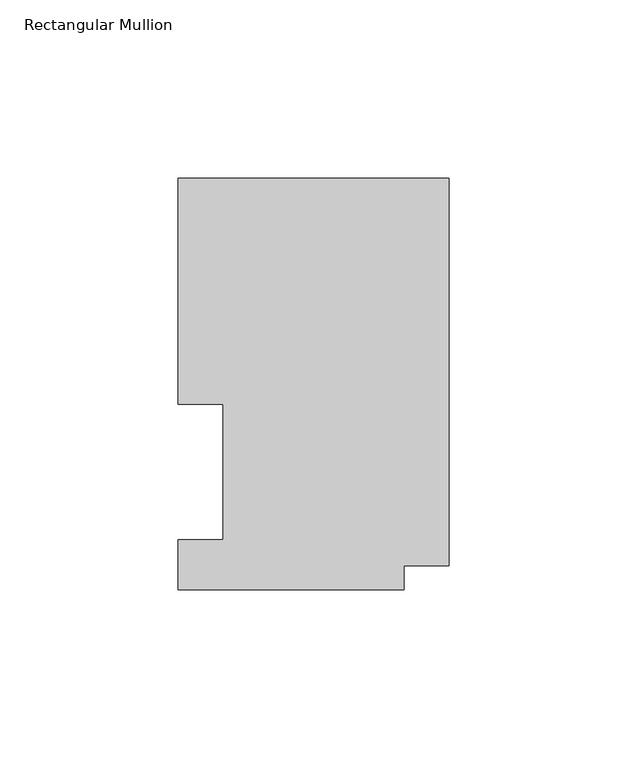
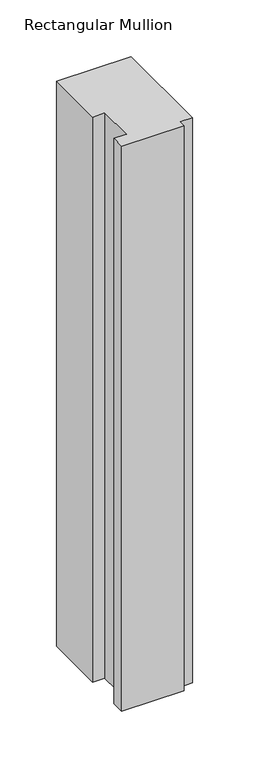
"""IFC4 building model written with IfcOpenShell, lengths in millimetres: member geometry, Rectangular Mullion."""

from ifc_helpers import new_model, si_unit, frame, origin, place, context, project, spatial, polyline, outline, extrude, source, transform, mapped, element, save


def rectangular_mullion_eb9ce9be(model_context):
    return source(origin(), model_context, "Body", "SweptSolid", [
        extrude(outline(polyline([(0.0, 116.0859375), (0.0, 7.1611307), (-12.7, 7.1611307), (-12.7, 0.5159205), (-76.2, 0.5159205), (-76.2, 14.4859375), (-63.5, 14.4859375), (-63.5, 52.5859375), (-76.2, 52.5859375), (-76.2, 116.0859375), (0.0, 116.0859375)])), frame((0.0, 0.0, -609.6), z_axis=(0.0, 0.0, 1.0), x_axis=(1.0, 0.0, 0.0)), (0.0, 0.0, 1.0), 609.6),
    ])


if __name__ == "__main__":
    model = new_model("IFC4")
    model_context = context("Model", 3, world=origin())
    ifc_project = project(units=[si_unit("LENGTHUNIT", "METRE", prefix="MILLI")], contexts=[model_context])
    site = spatial("IfcSite", under=ifc_project)
    building = spatial("IfcBuilding", under=site)
    placement = place(None, origin())
    rectangular_mullion_shape = rectangular_mullion_eb9ce9be(model_context)
    element("IfcMember", 1, ObjectType="Rectangular Mullion", at=placement, inside=building, context=model_context, shape_type="MappedRepresentation", body=[
        mapped(rectangular_mullion_shape, transform((0.0, 0.0, 0.0), x_axis=(1.0, 0.0, 0.0), y_axis=(0.0, 1.0, 0.0), z_axis=(0.0, 0.0, 1.0))),
    ])
    save(model, "model.ifc")
